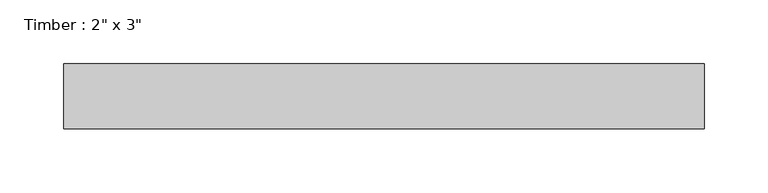
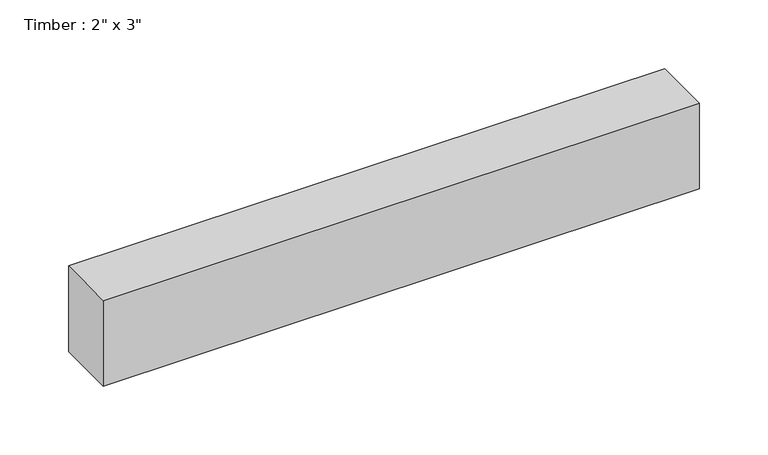
"""IFC4 building model written with IfcOpenShell, lengths in millimetres: beam geometry."""

from ifc_helpers import new_model, si_unit, frame, origin, place, context, project, spatial, polyline, outline, extrude, source, transform, mapped, element, save


def beam_fccaa62d(model_context):
    return source(origin(), model_context, "Body", "SweptSolid", [
        extrude(outline(polyline([(250.8249521, 25.4), (250.8249521, -25.4), (-250.8249521, -25.4), (-250.8249521, 25.4), (250.8249521, 25.4)])), frame((0.0, 0.0, -38.1), z_axis=(0.0, 0.0, 1.0), x_axis=(1.0, 0.0, 0.0)), (0.0, 0.0, 1.0), 76.2),
    ])


if __name__ == "__main__":
    model = new_model("IFC4")
    model_context = context("Model", 3, world=origin())
    ifc_project = project(units=[si_unit("LENGTHUNIT", "METRE", prefix="MILLI")], contexts=[model_context])
    site = spatial("IfcSite", under=ifc_project)
    building = spatial("IfcBuilding", under=site)
    placement = place(None, origin())
    beam_shape = beam_fccaa62d(model_context)
    element("IfcBeam", 1, ObjectType="Timber : 2\" x 3\"", at=placement, inside=building, context=model_context, shape_type="MappedRepresentation", body=[
        mapped(beam_shape, transform((0.0, 0.0, 0.0), x_axis=(1.0, 0.0, 0.0), y_axis=(0.0, 1.0, 0.0), z_axis=(0.0, 0.0, 1.0))),
    ])
    save(model, "model.ifc")
